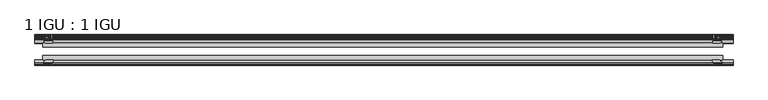
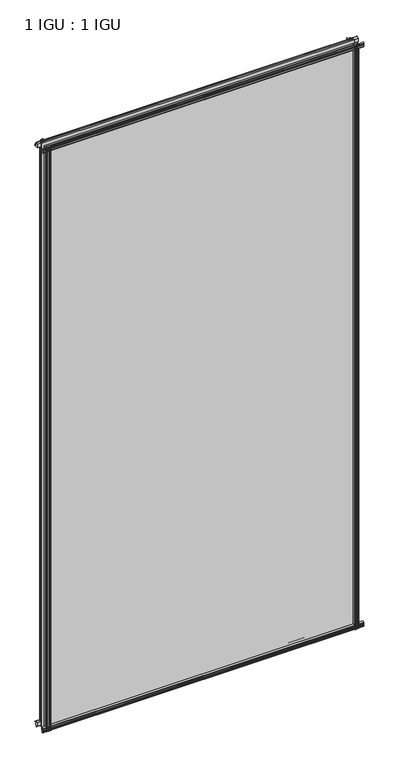
"""IFC4 building model written with IfcOpenShell, lengths in millimetres: plate geometry, 1 IGU : 1 IGU."""

from ifc_helpers import new_model, si_unit, point, frame, frame_2d, origin, place, context, project, spatial, polyline, circle_curve, trimmed, segment, composite_curve, outline, extrude, source, transform, mapped, element, save


def plate_1_igu_1_igu_53feeeba(model_context):
    return source(origin(), model_context, "Body", "SweptSolid", [
        extrude(outline(composite_curve([segment(polyline([(-57.0900403, 1.731044), (-50.00625, 3.0983599), (-50.00625, -7.92383), (-54.1882244, -12.1058044)]), True, "CONTINUOUS"), segment(trimmed(circle_curve(frame_2d((-55.08625, -11.2077788)), 1.27), [point((-54.1882244, -12.1058044))], [point((-56.35625, -11.2077788))], False, "CARTESIAN"), True, "CONTINUOUS"), segment(polyline([(-56.35625, -11.2077788), (-56.35625, -8.0327788), (-57.835546, -5.4488186), (-56.35625, -5.1879788), (-56.35625, 0.2222212), (-57.65913, 0.0383748)]), True, "CONTINUOUS"), segment(trimmed(circle_curve(frame_2d((-56.9150839, 0.7302212)), 1.016), [point((-57.65913, 0.0383748))], [point((-57.0900403, 1.731044))], False, "CARTESIAN"), True, "CONTINUOUS")], self_intersect=False)), frame((-526.3689624, 0.0, 0.0), z_axis=(1.0, 0.0, 0.0), x_axis=(0.0, 1.0, 0.0)), (0.0, 0.0, 1.0), 1056.7765249),
        extrude(outline(composite_curve([segment(polyline([(-24.60625, 2.5763839), (-12.8423053, 1.6478499)]), True, "CONTINUOUS"), segment(trimmed(circle_curve(frame_2d((-12.92225, 0.635)), 1.016), [point((-12.8423053, 1.6478499))], [point((-12.1291353, 0.0))], False, "CARTESIAN"), True, "CONTINUOUS"), segment(polyline([(-12.1291353, 0.0), (-18.25625, 0.0), (-18.25625, -4.953), (-15.9568457, -5.5691235), (-16.3325195, -4.1670901), (-15.4738114, -3.937), (-14.82725, -6.35), (-15.4738114, -8.763), (-16.3325195, -8.5329099), (-15.9568457, -7.1308765), (-18.25625, -7.747), (-18.25625, -12.7), (-20.28825, -12.7), (-24.60625, -9.1036931), (-24.60625, 2.5763839)]), True, "CONTINUOUS")], self_intersect=False)), frame((-526.3689624, 0.0, 0.0), z_axis=(1.0, 0.0, 0.0), x_axis=(0.0, 1.0, 0.0)), (0.0, 0.0, 1.0), 1056.7765249),
        extrude(outline(composite_curve([segment(polyline([(-20.28825, 2019.3), (-18.25625, 2019.3), (-18.25625, 2014.347), (-15.9568457, 2013.7308765), (-16.3325195, 2015.1329099), (-15.4738114, 2015.363), (-14.82725, 2012.95), (-15.4738114, 2010.537), (-16.3325195, 2010.7670901), (-15.9568457, 2012.1691235), (-18.25625, 2011.553), (-18.25625, 2006.6), (-12.1291353, 2006.6)]), True, "CONTINUOUS"), segment(trimmed(circle_curve(frame_2d((-12.92225, 2005.965)), 1.016), [point((-12.1291353, 2006.6))], [point((-12.8423053, 2004.9521501))], False, "CARTESIAN"), True, "CONTINUOUS"), segment(polyline([(-12.8423053, 2004.9521501), (-24.60625, 2004.0236161), (-24.60625, 2015.7036931), (-20.28825, 2019.3)]), True, "CONTINUOUS")], self_intersect=False)), frame((-526.3689624, 0.0, 0.0), z_axis=(1.0, 0.0, 0.0), x_axis=(0.0, 1.0, 0.0)), (0.0, 0.0, 1.0), 1056.7765249),
        extrude(outline(composite_curve([segment(trimmed(circle_curve(frame_2d((-56.9150839, 2005.8697788)), 1.016), [point((-57.0900403, 2004.868956))], [point((-57.65913, 2006.5616252))], False, "CARTESIAN"), True, "CONTINUOUS"), segment(polyline([(-57.65913, 2006.5616252), (-56.35625, 2006.3777788), (-56.35625, 2011.7879788), (-57.835546, 2012.0488186), (-56.35625, 2014.6327788), (-56.35625, 2017.8077788)]), True, "CONTINUOUS"), segment(trimmed(circle_curve(frame_2d((-55.08625, 2017.8077788)), 1.27), [point((-56.35625, 2017.8077788))], [point((-54.1882244, 2018.7058044))], False, "CARTESIAN"), True, "CONTINUOUS"), segment(polyline([(-54.1882244, 2018.7058044), (-50.00625, 2014.52383), (-50.00625, 2003.5016401), (-57.0900403, 2004.868956)]), True, "CONTINUOUS")], self_intersect=False)), frame((-526.3689624, 0.0, 0.0), z_axis=(1.0, 0.0, 0.0), x_axis=(0.0, 1.0, 0.0)), (0.0, 0.0, 1.0), 1056.7765249),
        extrude(outline(composite_curve([segment(polyline([(499.2561785, -24.60625), (500.1847126, -12.8423053)]), True, "CONTINUOUS"), segment(trimmed(circle_curve(frame_2d((501.1975624, -12.92225)), 1.016), [point((500.1847126, -12.8423053))], [point((501.8325624, -12.1291353))], False, "CARTESIAN"), True, "CONTINUOUS"), segment(polyline([(501.8325624, -12.1291353), (501.8325624, -18.25625), (506.7855624, -18.25625), (507.401686, -15.9568457), (505.9996526, -16.3325195), (505.7695624, -15.4738114), (508.1825624, -14.82725), (510.5955624, -15.4738114), (510.3654723, -16.3325195), (508.9634389, -15.9568457), (509.5795624, -18.25625), (514.5325624, -18.25625), (514.5325624, -20.28825), (510.9362555, -24.60625), (499.2561785, -24.60625)]), True, "CONTINUOUS")], self_intersect=False)), frame((0.0, 0.0, -12.7), z_axis=(0.0, 0.0, 1.0), x_axis=(1.0, 0.0, 0.0)), (0.0, 0.0, 1.0), 2032.0),
        extrude(outline(composite_curve([segment(polyline([(507.0205412, -56.35625), (501.6103412, -56.35625), (501.7941876, -57.65913)]), True, "CONTINUOUS"), segment(trimmed(circle_curve(frame_2d((501.1023412, -56.9150839)), 1.016), [point((501.7941876, -57.65913))], [point((500.1015184, -57.0900403))], False, "CARTESIAN"), True, "CONTINUOUS"), segment(polyline([(500.1015184, -57.0900403), (498.7342025, -50.00625), (509.7563925, -50.00625), (513.9383668, -54.1882244)]), True, "CONTINUOUS"), segment(trimmed(circle_curve(frame_2d((513.0403412, -55.08625)), 1.27), [point((513.9383668, -54.1882244))], [point((513.0403412, -56.35625))], False, "CARTESIAN"), True, "CONTINUOUS"), segment(polyline([(513.0403412, -56.35625), (509.8653412, -56.35625), (507.281381, -57.835546), (507.0205412, -56.35625)]), True, "CONTINUOUS")], self_intersect=False)), frame((0.0, 0.0, -12.7), z_axis=(0.0, 0.0, 1.0), x_axis=(1.0, 0.0, 0.0)), (0.0, 0.0, 1.0), 2032.0),
        extrude(outline(composite_curve([segment(polyline([(-499.2561785, -24.60625), (-510.9362555, -24.60625), (-514.5325624, -20.28825), (-514.5325624, -18.25625), (-509.5795624, -18.25625), (-508.9634389, -15.9568457), (-510.3654723, -16.3325195), (-510.5955624, -15.4738114), (-508.1825624, -14.82725), (-505.7695624, -15.4738114), (-505.9996526, -16.3325195), (-507.401686, -15.9568457), (-506.7855624, -18.25625), (-501.8325624, -18.25625), (-501.8325624, -12.1291353)]), True, "CONTINUOUS"), segment(trimmed(circle_curve(frame_2d((-501.1975624, -12.92225)), 1.016), [point((-501.8325624, -12.1291353))], [point((-500.1847126, -12.8423053))], False, "CARTESIAN"), True, "CONTINUOUS"), segment(polyline([(-500.1847126, -12.8423053), (-499.2561785, -24.60625)]), True, "CONTINUOUS")], self_intersect=False)), frame((0.0, 0.0, -12.7), z_axis=(0.0, 0.0, 1.0), x_axis=(1.0, 0.0, 0.0)), (0.0, 0.0, 1.0), 2032.0),
        extrude(outline(composite_curve([segment(polyline([(-498.7342025, -50.00625), (-500.1015184, -57.0900403)]), True, "CONTINUOUS"), segment(trimmed(circle_curve(frame_2d((-501.1023412, -56.9150839)), 1.016), [point((-500.1015184, -57.0900403))], [point((-501.7941876, -57.65913))], False, "CARTESIAN"), True, "CONTINUOUS"), segment(polyline([(-501.7941876, -57.65913), (-501.6103412, -56.35625), (-507.0205412, -56.35625), (-507.281381, -57.835546), (-509.8653412, -56.35625), (-513.0403412, -56.35625)]), True, "CONTINUOUS"), segment(trimmed(circle_curve(frame_2d((-513.0403412, -55.08625)), 1.27), [point((-513.0403412, -56.35625))], [point((-513.9383668, -54.1882244))], False, "CARTESIAN"), True, "CONTINUOUS"), segment(polyline([(-513.9383668, -54.1882244), (-509.7563925, -50.00625), (-498.7342025, -50.00625)]), True, "CONTINUOUS")], self_intersect=False)), frame((0.0, 0.0, -12.7), z_axis=(0.0, 0.0, 1.0), x_axis=(1.0, 0.0, 0.0)), (0.0, 0.0, 1.0), 2032.0),
        extrude(outline(polyline([(-514.5325624, -24.60625), (514.5325624, -24.60625), (514.5325624, -30.95625), (-514.5325624, -30.95625), (-514.5325624, -24.60625)])), frame((0.0, 0.0, -12.7), z_axis=(0.0, 0.0, 1.0), x_axis=(1.0, 0.0, 0.0)), (0.0, 0.0, 1.0), 2032.0),
        extrude(outline(polyline([(514.5325624, -43.65625), (514.5325624, -50.00625), (-514.5325624, -50.00625), (-514.5325624, -43.65625), (514.5325624, -43.65625)])), frame((0.0, 0.0, -12.7), z_axis=(0.0, 0.0, 1.0), x_axis=(1.0, 0.0, 0.0)), (0.0, 0.0, 1.0), 2032.0),
    ])


if __name__ == "__main__":
    model = new_model("IFC4")
    model_context = context("Model", 3, world=origin())
    ifc_project = project(units=[si_unit("LENGTHUNIT", "METRE", prefix="MILLI")], contexts=[model_context])
    site = spatial("IfcSite", under=ifc_project)
    building = spatial("IfcBuilding", under=site)
    placement = place(None, origin())
    plate_1_igu_1_igu_shape = plate_1_igu_1_igu_53feeeba(model_context)
    element("IfcPlate", 1, ObjectType="1 IGU : 1 IGU", at=placement, inside=building, context=model_context, shape_type="MappedRepresentation", body=[
        mapped(plate_1_igu_1_igu_shape, transform((0.0, 0.0, 0.0), x_axis=(1.0, 0.0, 0.0), y_axis=(0.0, 1.0, 0.0), z_axis=(0.0, 0.0, 1.0))),
    ])
    save(model, "model.ifc")
